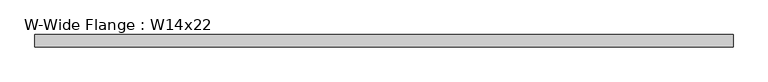
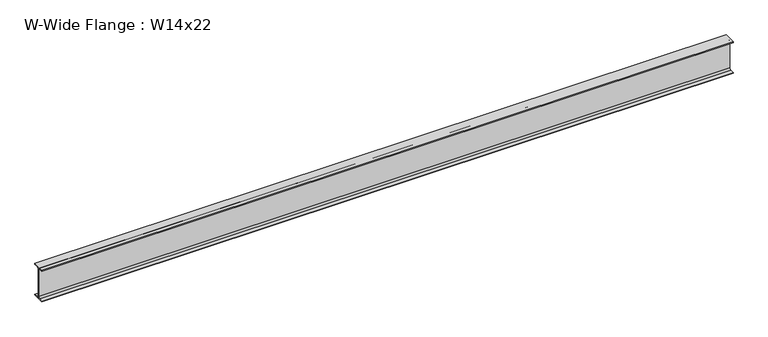
"""IFC4 building model written with IfcOpenShell, lengths in millimetres: beam geometry, W-Wide Flange : W14x22."""

from ifc_helpers import new_model, si_unit, point, frame, frame_2d, origin, place, context, project, spatial, polyline, circle_curve, trimmed, segment, composite_curve, outline, extrude, source, transform, mapped, element, save


def w_wide_flange_w14x22_a08ed3b4(model_context):
    return source(origin(), model_context, "Body", "SweptSolid", [
        extrude(outline(composite_curve([segment(polyline([(63.5, -165.481), (63.5, -173.99), (-63.5, -173.99), (-63.5, -165.481), (-21.3995, -165.481)]), True, "CONTINUOUS"), segment(trimmed(circle_curve(frame_2d((-21.3995, -147.0025)), 18.4785), [point((-21.3995, -165.481))], [point((-2.921, -147.0025))], True, "CARTESIAN"), True, "CONTINUOUS"), segment(polyline([(-2.921, -147.0025), (-2.921, 147.0025)]), True, "CONTINUOUS"), segment(trimmed(circle_curve(frame_2d((-21.3995, 147.0025)), 18.4785), [point((-2.921, 147.0025))], [point((-21.3995, 165.481))], True, "CARTESIAN"), True, "CONTINUOUS"), segment(polyline([(-21.3995, 165.481), (-63.5, 165.481), (-63.5, 173.99), (63.5, 173.99), (63.5, 165.481), (21.3995, 165.481)]), True, "CONTINUOUS"), segment(trimmed(circle_curve(frame_2d((21.3995, 147.0025)), 18.4785), [point((21.3995, 165.481))], [point((2.921, 147.0025))], True, "CARTESIAN"), True, "CONTINUOUS"), segment(polyline([(2.921, 147.0025), (2.921, -147.0025)]), True, "CONTINUOUS"), segment(trimmed(circle_curve(frame_2d((21.3995, -147.0025)), 18.4785), [point((2.921, -147.0025))], [point((21.3995, -165.481))], True, "CARTESIAN"), True, "CONTINUOUS"), segment(polyline([(21.3995, -165.481), (63.5, -165.481)]), True, "CONTINUOUS")], self_intersect=False)), frame((-3606.7813955, 0.0, 0.0), z_axis=(1.0, 0.0, 0.0), x_axis=(0.0, 1.0, 0.0)), (0.0, 0.0, 1.0), 7213.562791),
    ])


if __name__ == "__main__":
    model = new_model("IFC4")
    model_context = context("Model", 3, world=origin())
    ifc_project = project(units=[si_unit("LENGTHUNIT", "METRE", prefix="MILLI")], contexts=[model_context])
    site = spatial("IfcSite", under=ifc_project)
    building = spatial("IfcBuilding", under=site)
    placement = place(None, origin())
    w_wide_flange_w14x22_shape = w_wide_flange_w14x22_a08ed3b4(model_context)
    element("IfcBeam", 1, ObjectType="W-Wide Flange : W14x22", at=placement, inside=building, context=model_context, shape_type="MappedRepresentation", body=[
        mapped(w_wide_flange_w14x22_shape, transform((0.0, 0.0, 0.0), x_axis=(1.0, 0.0, 0.0), y_axis=(0.0, 1.0, 0.0), z_axis=(0.0, 0.0, 1.0))),
    ])
    save(model, "model.ifc")
